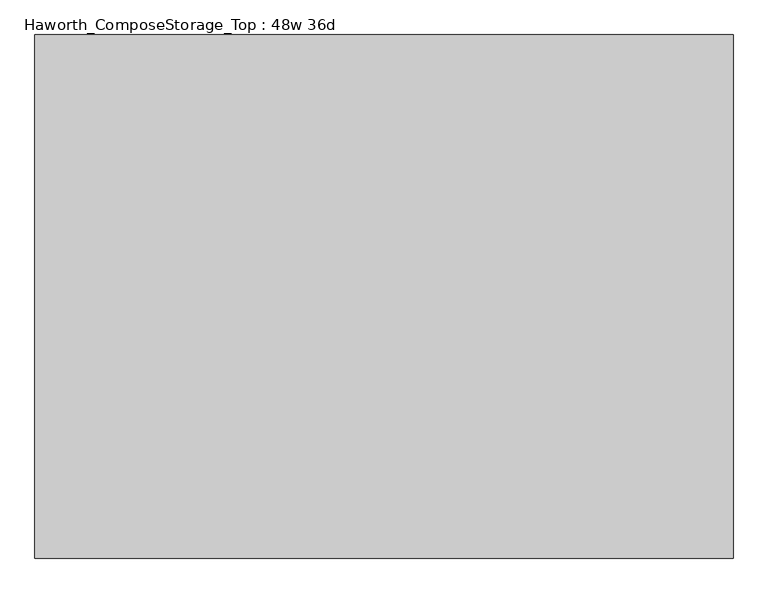
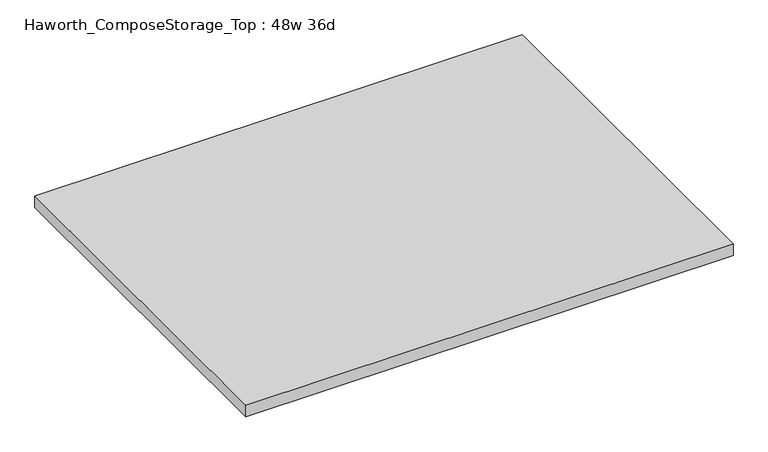
"""IFC4 building model written with IfcOpenShell, lengths in millimetres: furniture geometry, Haworth_ComposeStorage_Top : 48w 36d."""

from ifc_helpers import new_model, si_unit, frame, origin, place, context, project, spatial, polyline, outline, extrude, source, transform, mapped, element, save


def haworth_composestorage_top_48w_36d_76266e6d(model_context):
    return source(origin(), model_context, "Body", "SweptSolid", [
        extrude(outline(polyline([(609.6, 457.2), (609.6, -457.2), (-609.6, -457.2), (-609.6, 457.2), (609.6, 457.2)])), frame((0.0, 0.0, 706.4375), z_axis=(0.0, 0.0, 1.0), x_axis=(1.0, 0.0, 0.0)), (0.0, 0.0, 1.0), 30.1625),
    ])


if __name__ == "__main__":
    model = new_model("IFC4")
    model_context = context("Model", 3, world=origin())
    ifc_project = project(units=[si_unit("LENGTHUNIT", "METRE", prefix="MILLI")], contexts=[model_context])
    site = spatial("IfcSite", under=ifc_project)
    building = spatial("IfcBuilding", under=site)
    placement = place(None, origin())
    haworth_composestorage_top_48w_36d_shape = haworth_composestorage_top_48w_36d_76266e6d(model_context)
    element("IfcFurniture", 1, ObjectType="Haworth_ComposeStorage_Top : 48w 36d", at=placement, inside=building, context=model_context, shape_type="MappedRepresentation", body=[
        mapped(haworth_composestorage_top_48w_36d_shape, transform((0.0, 0.0, 0.0), x_axis=(1.0, 0.0, 0.0), y_axis=(0.0, 1.0, 0.0), z_axis=(0.0, 0.0, 1.0))),
    ])
    save(model, "model.ifc")
